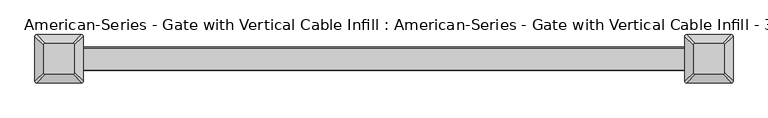
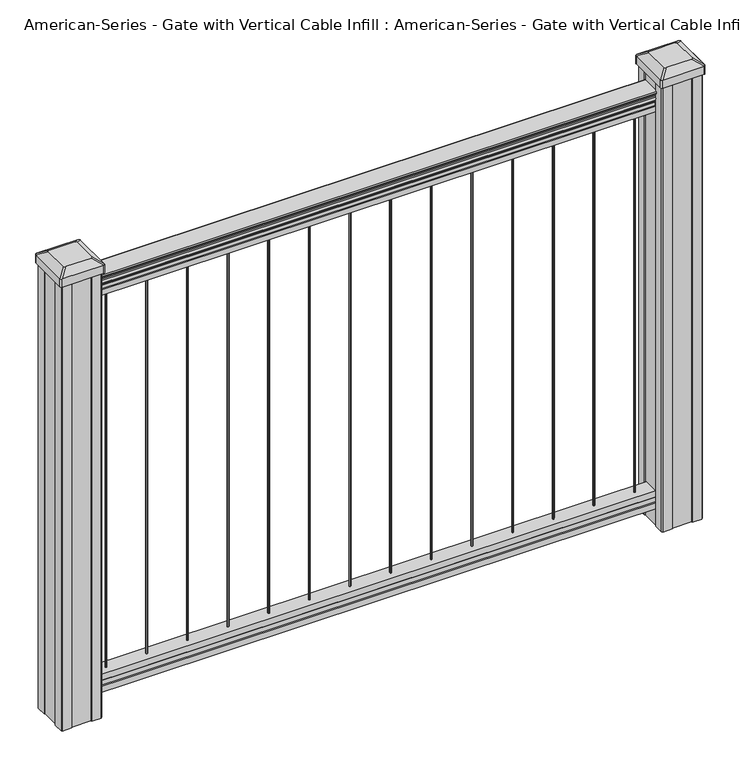
"""IFC4 building model written with IfcOpenShell, lengths in millimetres: proxy geometry."""

from ifc_helpers import new_model, si_unit, point, frame, frame_2d, origin, place, context, project, spatial, polyline, circle_curve, trimmed, segment, composite_curve, outline, extrude, source, transform, mapped, element, save
from ifc_brep_helpers import plane_surface, extruded_surface, advanced_brep


def proxy_bba98fe6(model_context):
    return source(origin(), model_context, "Body", "SolidModel", [
        extrude(outline(composite_curve([segment(trimmed(circle_curve(frame_2d((454.025, 0.0)), 1.5875), [point((454.025, 1.5875))], [point((455.6125, 0.0))], False, "CARTESIAN"), True, "CONTINUOUS"), segment(trimmed(circle_curve(frame_2d((454.025, 0.0)), 1.5875), [point((455.6125, 0.0))], [point((454.025, -1.5875))], False, "CARTESIAN"), True, "CONTINUOUS"), segment(trimmed(circle_curve(frame_2d((454.025, 0.0)), 1.5875), [point((454.025, -1.5875))], [point((452.4375, 0.0))], False, "CARTESIAN"), True, "CONTINUOUS"), segment(trimmed(circle_curve(frame_2d((454.025, 0.0)), 1.5875), [point((452.4375, 0.0))], [point((454.025, 1.5875))], False, "CARTESIAN"), True, "CONTINUOUS")], self_intersect=False)), frame((0.0, 0.0, 101.6), z_axis=(0.0, 0.0, 1.0), x_axis=(1.0, 0.0, 0.0)), (0.0, 0.0, 1.0), 812.8),
        extrude(outline(composite_curve([segment(trimmed(circle_curve(frame_2d((371.475, 0.0)), 1.5875), [point((371.475, 1.5875))], [point((373.0625, 0.0))], False, "CARTESIAN"), True, "CONTINUOUS"), segment(trimmed(circle_curve(frame_2d((371.475, 0.0)), 1.5875), [point((373.0625, 0.0))], [point((371.475, -1.5875))], False, "CARTESIAN"), True, "CONTINUOUS"), segment(trimmed(circle_curve(frame_2d((371.475, 0.0)), 1.5875), [point((371.475, -1.5875))], [point((369.8875, 0.0))], False, "CARTESIAN"), True, "CONTINUOUS"), segment(trimmed(circle_curve(frame_2d((371.475, 0.0)), 1.5875), [point((369.8875, 0.0))], [point((371.475, 1.5875))], False, "CARTESIAN"), True, "CONTINUOUS")], self_intersect=False)), frame((0.0, 0.0, 101.6), z_axis=(0.0, 0.0, 1.0), x_axis=(1.0, 0.0, 0.0)), (0.0, 0.0, 1.0), 812.8),
        extrude(outline(composite_curve([segment(trimmed(circle_curve(frame_2d((288.925, 0.0)), 1.5875), [point((288.925, 1.5875))], [point((290.5125, 0.0))], False, "CARTESIAN"), True, "CONTINUOUS"), segment(trimmed(circle_curve(frame_2d((288.925, 0.0)), 1.5875), [point((290.5125, 0.0))], [point((288.925, -1.5875))], False, "CARTESIAN"), True, "CONTINUOUS"), segment(trimmed(circle_curve(frame_2d((288.925, 0.0)), 1.5875), [point((288.925, -1.5875))], [point((287.3375, 0.0))], False, "CARTESIAN"), True, "CONTINUOUS"), segment(trimmed(circle_curve(frame_2d((288.925, 0.0)), 1.5875), [point((287.3375, 0.0))], [point((288.925, 1.5875))], False, "CARTESIAN"), True, "CONTINUOUS")], self_intersect=False)), frame((0.0, 0.0, 101.6), z_axis=(0.0, 0.0, 1.0), x_axis=(1.0, 0.0, 0.0)), (0.0, 0.0, 1.0), 812.8),
        extrude(outline(composite_curve([segment(trimmed(circle_curve(frame_2d((206.375, 0.0)), 1.5875), [point((206.375, 1.5875))], [point((207.9625, 0.0))], False, "CARTESIAN"), True, "CONTINUOUS"), segment(trimmed(circle_curve(frame_2d((206.375, 0.0)), 1.5875), [point((207.9625, 0.0))], [point((206.375, -1.5875))], False, "CARTESIAN"), True, "CONTINUOUS"), segment(trimmed(circle_curve(frame_2d((206.375, 0.0)), 1.5875), [point((206.375, -1.5875))], [point((204.7875, 0.0))], False, "CARTESIAN"), True, "CONTINUOUS"), segment(trimmed(circle_curve(frame_2d((206.375, 0.0)), 1.5875), [point((204.7875, 0.0))], [point((206.375, 1.5875))], False, "CARTESIAN"), True, "CONTINUOUS")], self_intersect=False)), frame((0.0, 0.0, 101.6), z_axis=(0.0, 0.0, 1.0), x_axis=(1.0, 0.0, 0.0)), (0.0, 0.0, 1.0), 812.8),
        extrude(outline(composite_curve([segment(trimmed(circle_curve(frame_2d((123.825, 0.0)), 1.5875), [point((123.825, 1.5875))], [point((125.4125, 0.0))], False, "CARTESIAN"), True, "CONTINUOUS"), segment(trimmed(circle_curve(frame_2d((123.825, 0.0)), 1.5875), [point((125.4125, 0.0))], [point((123.825, -1.5875))], False, "CARTESIAN"), True, "CONTINUOUS"), segment(trimmed(circle_curve(frame_2d((123.825, 0.0)), 1.5875), [point((123.825, -1.5875))], [point((122.2375, 0.0))], False, "CARTESIAN"), True, "CONTINUOUS"), segment(trimmed(circle_curve(frame_2d((123.825, 0.0)), 1.5875), [point((122.2375, 0.0))], [point((123.825, 1.5875))], False, "CARTESIAN"), True, "CONTINUOUS")], self_intersect=False)), frame((0.0, 0.0, 101.6), z_axis=(0.0, 0.0, 1.0), x_axis=(1.0, 0.0, 0.0)), (0.0, 0.0, 1.0), 812.8),
        extrude(outline(composite_curve([segment(trimmed(circle_curve(frame_2d((41.275, 0.0)), 1.5875), [point((41.275, 1.5875))], [point((42.8625, 0.0))], False, "CARTESIAN"), True, "CONTINUOUS"), segment(trimmed(circle_curve(frame_2d((41.275, 0.0)), 1.5875), [point((42.8625, 0.0))], [point((41.275, -1.5875))], False, "CARTESIAN"), True, "CONTINUOUS"), segment(trimmed(circle_curve(frame_2d((41.275, 0.0)), 1.5875), [point((41.275, -1.5875))], [point((39.6875, 0.0))], False, "CARTESIAN"), True, "CONTINUOUS"), segment(trimmed(circle_curve(frame_2d((41.275, 0.0)), 1.5875), [point((39.6875, 0.0))], [point((41.275, 1.5875))], False, "CARTESIAN"), True, "CONTINUOUS")], self_intersect=False)), frame((0.0, 0.0, 101.6), z_axis=(0.0, 0.0, 1.0), x_axis=(1.0, 0.0, 0.0)), (0.0, 0.0, 1.0), 812.8),
        extrude(outline(composite_curve([segment(trimmed(circle_curve(frame_2d((-41.275, 0.0)), 1.5875), [point((-41.275, 1.5875))], [point((-39.6875, 0.0))], False, "CARTESIAN"), True, "CONTINUOUS"), segment(trimmed(circle_curve(frame_2d((-41.275, 0.0)), 1.5875), [point((-39.6875, 0.0))], [point((-41.275, -1.5875))], False, "CARTESIAN"), True, "CONTINUOUS"), segment(trimmed(circle_curve(frame_2d((-41.275, 0.0)), 1.5875), [point((-41.275, -1.5875))], [point((-42.8625, 0.0))], False, "CARTESIAN"), True, "CONTINUOUS"), segment(trimmed(circle_curve(frame_2d((-41.275, 0.0)), 1.5875), [point((-42.8625, 0.0))], [point((-41.275, 1.5875))], False, "CARTESIAN"), True, "CONTINUOUS")], self_intersect=False)), frame((0.0, 0.0, 101.6), z_axis=(0.0, 0.0, 1.0), x_axis=(1.0, 0.0, 0.0)), (0.0, 0.0, 1.0), 812.8),
        extrude(outline(composite_curve([segment(trimmed(circle_curve(frame_2d((-123.825, 0.0)), 1.5875), [point((-123.825, 1.5875))], [point((-122.2375, 0.0))], False, "CARTESIAN"), True, "CONTINUOUS"), segment(trimmed(circle_curve(frame_2d((-123.825, 0.0)), 1.5875), [point((-122.2375, 0.0))], [point((-123.825, -1.5875))], False, "CARTESIAN"), True, "CONTINUOUS"), segment(trimmed(circle_curve(frame_2d((-123.825, 0.0)), 1.5875), [point((-123.825, -1.5875))], [point((-125.4125, 0.0))], False, "CARTESIAN"), True, "CONTINUOUS"), segment(trimmed(circle_curve(frame_2d((-123.825, 0.0)), 1.5875), [point((-125.4125, 0.0))], [point((-123.825, 1.5875))], False, "CARTESIAN"), True, "CONTINUOUS")], self_intersect=False)), frame((0.0, 0.0, 101.6), z_axis=(0.0, 0.0, 1.0), x_axis=(1.0, 0.0, 0.0)), (0.0, 0.0, 1.0), 812.8),
        extrude(outline(composite_curve([segment(trimmed(circle_curve(frame_2d((-206.375, 0.0)), 1.5875), [point((-206.375, 1.5875))], [point((-204.7875, 0.0))], False, "CARTESIAN"), True, "CONTINUOUS"), segment(trimmed(circle_curve(frame_2d((-206.375, 0.0)), 1.5875), [point((-204.7875, 0.0))], [point((-206.375, -1.5875))], False, "CARTESIAN"), True, "CONTINUOUS"), segment(trimmed(circle_curve(frame_2d((-206.375, 0.0)), 1.5875), [point((-206.375, -1.5875))], [point((-207.9625, 0.0))], False, "CARTESIAN"), True, "CONTINUOUS"), segment(trimmed(circle_curve(frame_2d((-206.375, 0.0)), 1.5875), [point((-207.9625, 0.0))], [point((-206.375, 1.5875))], False, "CARTESIAN"), True, "CONTINUOUS")], self_intersect=False)), frame((0.0, 0.0, 101.6), z_axis=(0.0, 0.0, 1.0), x_axis=(1.0, 0.0, 0.0)), (0.0, 0.0, 1.0), 812.8),
        extrude(outline(composite_curve([segment(trimmed(circle_curve(frame_2d((-288.925, 0.0)), 1.5875), [point((-288.925, 1.5875))], [point((-287.3375, 0.0))], False, "CARTESIAN"), True, "CONTINUOUS"), segment(trimmed(circle_curve(frame_2d((-288.925, 0.0)), 1.5875), [point((-287.3375, 0.0))], [point((-288.925, -1.5875))], False, "CARTESIAN"), True, "CONTINUOUS"), segment(trimmed(circle_curve(frame_2d((-288.925, 0.0)), 1.5875), [point((-288.925, -1.5875))], [point((-290.5125, 0.0))], False, "CARTESIAN"), True, "CONTINUOUS"), segment(trimmed(circle_curve(frame_2d((-288.925, 0.0)), 1.5875), [point((-290.5125, 0.0))], [point((-288.925, 1.5875))], False, "CARTESIAN"), True, "CONTINUOUS")], self_intersect=False)), frame((0.0, 0.0, 101.6), z_axis=(0.0, 0.0, 1.0), x_axis=(1.0, 0.0, 0.0)), (0.0, 0.0, 1.0), 812.8),
        extrude(outline(composite_curve([segment(trimmed(circle_curve(frame_2d((-371.475, 0.0)), 1.5875), [point((-371.475, 1.5875))], [point((-369.8875, 0.0))], False, "CARTESIAN"), True, "CONTINUOUS"), segment(trimmed(circle_curve(frame_2d((-371.475, 0.0)), 1.5875), [point((-369.8875, 0.0))], [point((-371.475, -1.5875))], False, "CARTESIAN"), True, "CONTINUOUS"), segment(trimmed(circle_curve(frame_2d((-371.475, 0.0)), 1.5875), [point((-371.475, -1.5875))], [point((-373.0625, 0.0))], False, "CARTESIAN"), True, "CONTINUOUS"), segment(trimmed(circle_curve(frame_2d((-371.475, 0.0)), 1.5875), [point((-373.0625, 0.0))], [point((-371.475, 1.5875))], False, "CARTESIAN"), True, "CONTINUOUS")], self_intersect=False)), frame((0.0, 0.0, 101.6), z_axis=(0.0, 0.0, 1.0), x_axis=(1.0, 0.0, 0.0)), (0.0, 0.0, 1.0), 812.8),
        extrude(outline(composite_curve([segment(trimmed(circle_curve(frame_2d((-454.025, 0.0)), 1.5875), [point((-454.025, 1.5875))], [point((-452.4375, 0.0))], False, "CARTESIAN"), True, "CONTINUOUS"), segment(trimmed(circle_curve(frame_2d((-454.025, 0.0)), 1.5875), [point((-452.4375, 0.0))], [point((-454.025, -1.5875))], False, "CARTESIAN"), True, "CONTINUOUS"), segment(trimmed(circle_curve(frame_2d((-454.025, 0.0)), 1.5875), [point((-454.025, -1.5875))], [point((-455.6125, 0.0))], False, "CARTESIAN"), True, "CONTINUOUS"), segment(trimmed(circle_curve(frame_2d((-454.025, 0.0)), 1.5875), [point((-455.6125, 0.0))], [point((-454.025, 1.5875))], False, "CARTESIAN"), True, "CONTINUOUS")], self_intersect=False)), frame((0.0, 0.0, 101.6), z_axis=(0.0, 0.0, 1.0), x_axis=(1.0, 0.0, 0.0)), (0.0, 0.0, 1.0), 812.8),
        extrude(outline(composite_curve([segment(trimmed(circle_curve(frame_2d((536.575, 0.0)), 1.5875), [point((536.575, 1.5875))], [point((538.1625, 0.0))], False, "CARTESIAN"), True, "CONTINUOUS"), segment(trimmed(circle_curve(frame_2d((536.575, 0.0)), 1.5875), [point((538.1625, 0.0))], [point((536.575, -1.5875))], False, "CARTESIAN"), True, "CONTINUOUS"), segment(trimmed(circle_curve(frame_2d((536.575, 0.0)), 1.5875), [point((536.575, -1.5875))], [point((534.9875, 0.0))], False, "CARTESIAN"), True, "CONTINUOUS"), segment(trimmed(circle_curve(frame_2d((536.575, 0.0)), 1.5875), [point((534.9875, 0.0))], [point((536.575, 1.5875))], False, "CARTESIAN"), True, "CONTINUOUS")], self_intersect=False)), frame((0.0, 0.0, 101.6), z_axis=(0.0, 0.0, 1.0), x_axis=(1.0, 0.0, 0.0)), (0.0, 0.0, 1.0), 812.8),
        extrude(outline(composite_curve([segment(trimmed(circle_curve(frame_2d((-536.575, 0.0)), 1.5875), [point((-536.575, 1.5875))], [point((-534.9875, 0.0))], False, "CARTESIAN"), True, "CONTINUOUS"), segment(trimmed(circle_curve(frame_2d((-536.575, 0.0)), 1.5875), [point((-534.9875, 0.0))], [point((-536.575, -1.5875))], False, "CARTESIAN"), True, "CONTINUOUS"), segment(trimmed(circle_curve(frame_2d((-536.575, 0.0)), 1.5875), [point((-536.575, -1.5875))], [point((-538.1625, 0.0))], False, "CARTESIAN"), True, "CONTINUOUS"), segment(trimmed(circle_curve(frame_2d((-536.575, 0.0)), 1.5875), [point((-538.1625, 0.0))], [point((-536.575, 1.5875))], False, "CARTESIAN"), True, "CONTINUOUS")], self_intersect=False)), frame((0.0, 0.0, 101.6), z_axis=(0.0, 0.0, 1.0), x_axis=(1.0, 0.0, 0.0)), (0.0, 0.0, 1.0), 812.8),
        extrude(outline(composite_curve([segment(polyline([(938.4043297, 17.4328287), (940.292412, 17.4328287)]), True, "CONTINUOUS"), segment(trimmed(circle_curve(frame_2d((946.0506383, 11.1180755)), 8.545951), [point((940.292412, 17.4328287))], [point((941.8546695, 18.563015))], False, "CARTESIAN"), True, "CONTINUOUS"), segment(trimmed(circle_curve(frame_2d((945.4636577, 11.5551384)), 7.882584), [point((941.8546695, 18.563015))], [point((949.0726458, 18.563015))], False, "CARTESIAN"), True, "CONTINUOUS"), segment(trimmed(circle_curve(frame_2d((951.3112527, 22.0684625)), 4.1592695), [point((949.0726458, 18.563015))], [point((951.5060812, 17.9137586))], True, "CARTESIAN"), True, "CONTINUOUS"), segment(trimmed(circle_curve(frame_2d((951.2508864, 23.3557691)), 5.4479907), [point((951.5060812, 17.9137586))], [point((955.8362083, 20.4137586))], True, "CARTESIAN"), True, "CONTINUOUS"), segment(trimmed(circle_curve(frame_2d((955.833395, 22.1226107)), 1.7088543), [point((955.8362083, 20.4137586))], [point((957.5157972, 21.8231011))], True, "CARTESIAN"), True, "CONTINUOUS"), segment(trimmed(circle_curve(frame_2d((958.6205318, 20.5057106)), 1.7192895), [point((957.5157972, 21.8231011))], [point((958.6205318, 22.2250001))], False, "CARTESIAN"), True, "CONTINUOUS"), segment(polyline([(958.6205318, 22.2250001), (959.9608158, 22.225)]), True, "CONTINUOUS"), segment(trimmed(circle_curve(frame_2d((959.9608158, 20.6715528)), 1.5534472), [point((959.9608158, 22.225))], [point((961.514263, 20.6715528))], False, "CARTESIAN"), True, "CONTINUOUS"), segment(polyline([(961.514263, 20.6715528), (961.514263, -20.6715528)]), True, "CONTINUOUS"), segment(trimmed(circle_curve(frame_2d((959.9608158, -20.6715528)), 1.5534472), [point((961.514263, -20.6715528))], [point((959.9608158, -22.225))], False, "CARTESIAN"), True, "CONTINUOUS"), segment(polyline([(959.9608158, -22.225), (958.6205318, -22.225)]), True, "CONTINUOUS"), segment(trimmed(circle_curve(frame_2d((958.6205318, -20.5057106)), 1.7192895), [point((958.6205318, -22.225))], [point((957.5157972, -21.8231011))], False, "CARTESIAN"), True, "CONTINUOUS"), segment(trimmed(circle_curve(frame_2d((955.833395, -22.1226107)), 1.7088543), [point((957.5157972, -21.8231011))], [point((955.8362083, -20.4137586))], True, "CARTESIAN"), True, "CONTINUOUS"), segment(trimmed(circle_curve(frame_2d((951.2508864, -23.3557691)), 5.4479907), [point((955.8362083, -20.4137586))], [point((951.5060812, -17.9137586))], True, "CARTESIAN"), True, "CONTINUOUS"), segment(trimmed(circle_curve(frame_2d((951.3112527, -22.0684625)), 4.1592695), [point((951.5060812, -17.9137586))], [point((949.0726458, -18.563015))], True, "CARTESIAN"), True, "CONTINUOUS"), segment(trimmed(circle_curve(frame_2d((945.4636577, -11.5551384)), 7.882584), [point((949.0726458, -18.563015))], [point((941.8546695, -18.563015))], False, "CARTESIAN"), True, "CONTINUOUS"), segment(trimmed(circle_curve(frame_2d((946.0506383, -11.1180755)), 8.545951), [point((941.8546695, -18.563015))], [point((940.292412, -17.4328287))], False, "CARTESIAN"), True, "CONTINUOUS"), segment(polyline([(940.292412, -17.4328287), (938.4043297, -17.4328287)]), True, "CONTINUOUS"), segment(trimmed(circle_curve(frame_2d((938.4043297, -16.1459144)), 1.2869144), [point((938.4043297, -17.4328287))], [point((938.4043297, -14.859))], False, "CARTESIAN"), True, "CONTINUOUS"), segment(polyline([(938.4043297, -14.859), (927.9048283, -14.859), (926.8888283, -15.875), (914.4, -15.875), (914.4, 15.875), (926.731013, 15.875), (927.747013, 14.859), (938.4043297, 14.859)]), True, "CONTINUOUS"), segment(trimmed(circle_curve(frame_2d((938.4043297, 16.1459144)), 1.2869144), [point((938.4043297, 14.859))], [point((938.4043297, 17.4328287))], False, "CARTESIAN"), True, "CONTINUOUS")], self_intersect=False)), frame((609.6, 0.0, 0.0), z_axis=(-1.0, 0.0, 0.0), x_axis=(0.0, 0.0, 1.0)), (0.0, 0.0, 1.0), 1219.2),
        extrude(outline(polyline([(-15.9124869, 76.0541976), (-14.8964869, 77.3546183), (-14.8964869, 87.7141717), (-15.9124869, 89.0624492), (-15.9124869, 101.5958781), (15.8375131, 101.5958781), (15.8375131, 89.0458024), (14.8215131, 87.6975248), (14.8215131, 77.3858283), (15.8375131, 76.0375508), (15.8375131, 63.5), (-15.9124869, 63.5), (-15.9124869, 76.0541976)])), frame((-609.6, 0.0, 0.0), z_axis=(1.0, 0.0, 0.0), x_axis=(0.0, 1.0, 0.0)), (0.0, 0.0, 1.0), 1219.2),
        advanced_brep(
        [(583.803125, 28.971875, 1012.825), (580.628125, 25.796875, 1012.825), (580.628125, -25.796875, 1012.825), (583.803125, -28.971875, 1012.825), (635.396875, -28.971875, 1012.825), (638.571875, -25.796875, 1012.825), (638.571875, 25.796875, 1012.825), (635.396875, 28.971875, 1012.825), (567.53125, 45.24375, 1001.522), (651.66875, 45.24375, 1001.522), (654.84375, 42.06875, 1001.522), (654.84375, -42.06875, 1001.522), (651.66875, -45.24375, 1001.522), (567.53125, -45.24375, 1001.522), (564.35625, -42.06875, 1001.522), (564.35625, 42.06875, 1001.522)],
        [
            (0, 1, circle_curve(frame((583.803125, 25.796875, 1012.825), z_axis=(0.0, 0.0, 1.0), x_axis=(0.0, -1.0, 0.0)), 3.175)),
            (1, 2),
            (2, 3, circle_curve(frame((583.803125, -25.796875, 1012.825), z_axis=(0.0, 0.0, 1.0), x_axis=(0.0, -1.0, 0.0)), 3.175)),
            (3, 4),
            (4, 5, circle_curve(frame((635.396875, -25.796875, 1012.825), z_axis=(0.0, 0.0, 1.0), x_axis=(0.0, -1.0, 0.0)), 3.175)),
            (5, 6),
            (6, 7, circle_curve(frame((635.396875, 25.796875, 1012.825), z_axis=(0.0, 0.0, 1.0), x_axis=(0.0, -1.0, 0.0)), 3.175)),
            (7, 0),
            (8, 9),
            (9, 10, circle_curve(frame((651.66875, 42.06875, 1001.522), z_axis=(0.0, 0.0, -1.0), x_axis=(0.0, -1.0, 0.0)), 3.175)),
            (10, 11),
            (11, 12, circle_curve(frame((651.66875, -42.06875, 1001.522), z_axis=(0.0, 0.0, -1.0), x_axis=(0.0, -1.0, 0.0)), 3.175)),
            (12, 13),
            (13, 14, circle_curve(frame((567.53125, -42.06875, 1001.522), z_axis=(0.0, 0.0, -1.0), x_axis=(0.0, -1.0, 0.0)), 3.175)),
            (14, 15),
            (15, 8, circle_curve(frame((567.53125, 42.06875, 1001.522), z_axis=(0.0, 0.0, -1.0), x_axis=(0.0, -1.0, 0.0)), 3.175)),
            (15, 1),
            (0, 8),
            (14, 2),
            (13, 3),
            (12, 4),
            (11, 5),
            (10, 6),
            (9, 7),
        ],
        [
            plane_surface(frame((609.6, 0.0, 1012.825), z_axis=(0.0, 0.0, 1.0), x_axis=(-1.0, 0.0, 0.0))),
            plane_surface(frame((609.6, 0.0, 1001.522), z_axis=(0.0, 0.0, -1.0), x_axis=(-1.0, 0.0, 0.0))),
            extruded_surface(trimmed(circle_curve(frame((567.53125, 42.06875, 1001.522), z_axis=(0.0, 0.0, 1.0), x_axis=(0.0, -1.0, 0.0)), 3.175), [point((567.53125, 45.24375, 1001.522))], [point((564.35625, 42.06875, 1001.522))], True, "CARTESIAN"), (16.271875000000023, -16.271875, 11.302999999999997), 25.637972638866177),
            plane_surface(frame((564.35625, 0.0, 1001.522), z_axis=(-0.5705009161540779, 0.0, 0.8212969649690408), x_axis=(0.0, -1.0, 0.0))),
            extruded_surface(trimmed(circle_curve(frame((567.53125, -42.06875, 1001.522), z_axis=(0.0, 0.0, 1.0), x_axis=(0.0, -1.0, 0.0)), 3.175), [point((564.35625, -42.06875, 1001.522))], [point((567.53125, -45.24375, 1001.522))], True, "CARTESIAN"), (16.271875000000023, 16.271875, 11.302999999999997), 25.637972638866177),
            plane_surface(frame((609.6, -45.24375, 1001.522), z_axis=(0.0, -0.5705009161540291, 0.8212969649690747), x_axis=(1.0, 0.0, 0.0))),
            extruded_surface(trimmed(circle_curve(frame((651.66875, -42.06875, 1001.522), z_axis=(0.0, 0.0, 1.0), x_axis=(0.0, -1.0, 0.0)), 3.175), [point((651.66875, -45.24375, 1001.522))], [point((654.84375, -42.06875, 1001.522))], True, "CARTESIAN"), (-16.271875000000023, 16.271875, 11.302999999999997), 25.637972638866177),
            plane_surface(frame((654.84375, 0.0, 1001.522), z_axis=(0.5705009161540141, 0.0, 0.8212969649690851), x_axis=(0.0, 1.0, 0.0))),
            extruded_surface(trimmed(circle_curve(frame((651.66875, 42.06875, 1001.522), z_axis=(0.0, 0.0, 1.0), x_axis=(0.0, -1.0, 0.0)), 3.175), [point((654.84375, 42.06875, 1001.522))], [point((651.66875, 45.24375, 1001.522))], True, "CARTESIAN"), (-16.271875000000023, -16.271875, 11.302999999999997), 25.637972638866177),
            plane_surface(frame((609.6, 45.24375, 1001.522), z_axis=(0.0, 0.570500916154034, 0.8212969649690713), x_axis=(-1.0, 0.0, 0.0))),
        ],
        [
            (0, [[1, 2, 3, 4, 5, 6, 7, 8]]),
            (1, [[9, 10, 11, 12, 13, 14, 15, 16]]),
            (2, [[-16, 17, -1, 18]]),
            (3, [[-15, 19, -2, -17]]),
            (4, [[-14, 20, -3, -19]]),
            (5, [[-13, 21, -4, -20]]),
            (6, [[-12, 22, -5, -21]]),
            (7, [[-11, 23, -6, -22]]),
            (8, [[-10, 24, -7, -23]]),
            (9, [[-9, -18, -8, -24]]),
        ],
    ),
        extrude(outline(composite_curve([segment(polyline([(567.53125, 45.24375), (651.66875, 45.24375)]), True, "CONTINUOUS"), segment(trimmed(circle_curve(frame_2d((651.66875, 42.06875)), 3.175), [point((651.66875, 45.24375))], [point((654.84375, 42.06875))], False, "CARTESIAN"), True, "CONTINUOUS"), segment(polyline([(654.84375, 42.06875), (654.84375, -42.06875)]), True, "CONTINUOUS"), segment(trimmed(circle_curve(frame_2d((651.66875, -42.06875)), 3.175), [point((654.84375, -42.06875))], [point((651.66875, -45.24375))], False, "CARTESIAN"), True, "CONTINUOUS"), segment(polyline([(651.66875, -45.24375), (567.53125, -45.24375)]), True, "CONTINUOUS"), segment(trimmed(circle_curve(frame_2d((567.53125, -42.06875)), 3.175), [point((567.53125, -45.24375))], [point((564.35625, -42.06875))], False, "CARTESIAN"), True, "CONTINUOUS"), segment(polyline([(564.35625, -42.06875), (564.35625, 42.06875)]), True, "CONTINUOUS"), segment(trimmed(circle_curve(frame_2d((567.53125, 42.06875)), 3.175), [point((564.35625, 42.06875))], [point((567.53125, 45.24375))], False, "CARTESIAN"), True, "CONTINUOUS")], self_intersect=False)), frame((0.0, 0.0, 984.25), z_axis=(0.0, 0.0, 1.0), x_axis=(1.0, 0.0, 0.0)), (0.0, 0.0, 1.0), 17.272),
        extrude(outline(polyline([(569.9125, 41.275), (589.534, 41.275), (590.296, 39.6875), (628.904, 39.6875), (629.666, 41.275), (649.2875, 41.275), (650.875, 39.6875), (650.875, 20.066), (649.2875, 19.304), (649.2875, -19.304), (650.875, -20.066), (650.875, -39.6875), (649.2875, -41.275), (629.666, -41.275), (628.904, -39.6875), (590.296, -39.6875), (589.534, -41.275), (569.9125, -41.275), (568.325, -39.6875), (568.325, -20.066), (569.9125, -19.304), (569.9125, 19.304), (568.325, 20.066), (568.325, 39.6875), (569.9125, 41.275)])), frame((0.0, 0.0, 28.575), z_axis=(0.0, 0.0, 1.0), x_axis=(1.0, 0.0, 0.0)), (0.0, 0.0, 1.0), 955.675),
        advanced_brep(
        [(-635.396875, 28.971875, 1012.825), (-638.571875, 25.796875, 1012.825), (-638.571875, -25.796875, 1012.825), (-635.396875, -28.971875, 1012.825), (-583.803125, -28.971875, 1012.825), (-580.628125, -25.796875, 1012.825), (-580.628125, 25.796875, 1012.825), (-583.803125, 28.971875, 1012.825), (-651.66875, 45.24375, 1001.522), (-567.53125, 45.24375, 1001.522), (-564.35625, 42.06875, 1001.522), (-564.35625, -42.06875, 1001.522), (-567.53125, -45.24375, 1001.522), (-651.66875, -45.24375, 1001.522), (-654.84375, -42.06875, 1001.522), (-654.84375, 42.06875, 1001.522)],
        [
            (0, 1, circle_curve(frame((-635.396875, 25.796875, 1012.825), z_axis=(0.0, 0.0, 1.0), x_axis=(0.0, -1.0, 0.0)), 3.175)),
            (1, 2),
            (2, 3, circle_curve(frame((-635.396875, -25.796875, 1012.825), z_axis=(0.0, 0.0, 1.0), x_axis=(0.0, -1.0, 0.0)), 3.175)),
            (3, 4),
            (4, 5, circle_curve(frame((-583.803125, -25.796875, 1012.825), z_axis=(0.0, 0.0, 1.0), x_axis=(0.0, -1.0, 0.0)), 3.175)),
            (5, 6),
            (6, 7, circle_curve(frame((-583.803125, 25.796875, 1012.825), z_axis=(0.0, 0.0, 1.0), x_axis=(0.0, -1.0, 0.0)), 3.175)),
            (7, 0),
            (8, 9),
            (9, 10, circle_curve(frame((-567.53125, 42.06875, 1001.522), z_axis=(0.0, 0.0, -1.0), x_axis=(0.0, -1.0, 0.0)), 3.175)),
            (10, 11),
            (11, 12, circle_curve(frame((-567.53125, -42.06875, 1001.522), z_axis=(0.0, 0.0, -1.0), x_axis=(0.0, -1.0, 0.0)), 3.175)),
            (12, 13),
            (13, 14, circle_curve(frame((-651.66875, -42.06875, 1001.522), z_axis=(0.0, 0.0, -1.0), x_axis=(0.0, -1.0, 0.0)), 3.175)),
            (14, 15),
            (15, 8, circle_curve(frame((-651.66875, 42.06875, 1001.522), z_axis=(0.0, 0.0, -1.0), x_axis=(0.0, -1.0, 0.0)), 3.175)),
            (15, 1),
            (0, 8),
            (14, 2),
            (13, 3),
            (12, 4),
            (11, 5),
            (10, 6),
            (9, 7),
        ],
        [
            plane_surface(frame((-609.6, 0.0, 1012.825), z_axis=(0.0, 0.0, 1.0), x_axis=(-1.0, 0.0, 0.0))),
            plane_surface(frame((-609.6, 0.0, 1001.522), z_axis=(0.0, 0.0, -1.0), x_axis=(-1.0, 0.0, 0.0))),
            extruded_surface(trimmed(circle_curve(frame((-651.66875, 42.06875, 1001.522), z_axis=(0.0, 0.0, 1.0), x_axis=(0.0, -1.0, 0.0)), 3.175), [point((-651.66875, 45.24375, 1001.522))], [point((-654.84375, 42.06875, 1001.522))], True, "CARTESIAN"), (16.271875000000023, -16.271875, 11.302999999999997), 25.637972638866177),
            plane_surface(frame((-654.84375, 0.0, 1001.522), z_axis=(-0.5705009161540779, 0.0, 0.8212969649690408), x_axis=(0.0, -1.0, 0.0))),
            extruded_surface(trimmed(circle_curve(frame((-651.66875, -42.06875, 1001.522), z_axis=(0.0, 0.0, 1.0), x_axis=(0.0, -1.0, 0.0)), 3.175), [point((-654.84375, -42.06875, 1001.522))], [point((-651.66875, -45.24375, 1001.522))], True, "CARTESIAN"), (16.271875000000023, 16.271875, 11.302999999999997), 25.637972638866177),
            plane_surface(frame((-609.6, -45.24375, 1001.522), z_axis=(0.0, -0.5705009161540291, 0.8212969649690747), x_axis=(1.0, 0.0, 0.0))),
            extruded_surface(trimmed(circle_curve(frame((-567.53125, -42.06875, 1001.522), z_axis=(0.0, 0.0, 1.0), x_axis=(0.0, -1.0, 0.0)), 3.175), [point((-567.53125, -45.24375, 1001.522))], [point((-564.35625, -42.06875, 1001.522))], True, "CARTESIAN"), (-16.271875000000023, 16.271875, 11.302999999999997), 25.637972638866177),
            plane_surface(frame((-564.35625, 0.0, 1001.522), z_axis=(0.5705009161540141, 0.0, 0.8212969649690851), x_axis=(0.0, 1.0, 0.0))),
            extruded_surface(trimmed(circle_curve(frame((-567.53125, 42.06875, 1001.522), z_axis=(0.0, 0.0, 1.0), x_axis=(0.0, -1.0, 0.0)), 3.175), [point((-564.35625, 42.06875, 1001.522))], [point((-567.53125, 45.24375, 1001.522))], True, "CARTESIAN"), (-16.271875000000023, -16.271875, 11.302999999999997), 25.637972638866177),
            plane_surface(frame((-609.6, 45.24375, 1001.522), z_axis=(0.0, 0.570500916154034, 0.8212969649690713), x_axis=(-1.0, 0.0, 0.0))),
        ],
        [
            (0, [[1, 2, 3, 4, 5, 6, 7, 8]]),
            (1, [[9, 10, 11, 12, 13, 14, 15, 16]]),
            (2, [[-16, 17, -1, 18]]),
            (3, [[-15, 19, -2, -17]]),
            (4, [[-14, 20, -3, -19]]),
            (5, [[-13, 21, -4, -20]]),
            (6, [[-12, 22, -5, -21]]),
            (7, [[-11, 23, -6, -22]]),
            (8, [[-10, 24, -7, -23]]),
            (9, [[-9, -18, -8, -24]]),
        ],
    ),
        extrude(outline(composite_curve([segment(polyline([(-651.66875, 45.24375), (-567.53125, 45.24375)]), True, "CONTINUOUS"), segment(trimmed(circle_curve(frame_2d((-567.53125, 42.06875)), 3.175), [point((-567.53125, 45.24375))], [point((-564.35625, 42.06875))], False, "CARTESIAN"), True, "CONTINUOUS"), segment(polyline([(-564.35625, 42.06875), (-564.35625, -42.06875)]), True, "CONTINUOUS"), segment(trimmed(circle_curve(frame_2d((-567.53125, -42.06875)), 3.175), [point((-564.35625, -42.06875))], [point((-567.53125, -45.24375))], False, "CARTESIAN"), True, "CONTINUOUS"), segment(polyline([(-567.53125, -45.24375), (-651.66875, -45.24375)]), True, "CONTINUOUS"), segment(trimmed(circle_curve(frame_2d((-651.66875, -42.06875)), 3.175), [point((-651.66875, -45.24375))], [point((-654.84375, -42.06875))], False, "CARTESIAN"), True, "CONTINUOUS"), segment(polyline([(-654.84375, -42.06875), (-654.84375, 42.06875)]), True, "CONTINUOUS"), segment(trimmed(circle_curve(frame_2d((-651.66875, 42.06875)), 3.175), [point((-654.84375, 42.06875))], [point((-651.66875, 45.24375))], False, "CARTESIAN"), True, "CONTINUOUS")], self_intersect=False)), frame((0.0, 0.0, 984.25), z_axis=(0.0, 0.0, 1.0), x_axis=(1.0, 0.0, 0.0)), (0.0, 0.0, 1.0), 17.272),
        extrude(outline(polyline([(-649.2875, 41.275), (-629.666, 41.275), (-628.904, 39.6875), (-590.296, 39.6875), (-589.534, 41.275), (-569.9125, 41.275), (-568.325, 39.6875), (-568.325, 20.066), (-569.9125, 19.304), (-569.9125, -19.304), (-568.325, -20.066), (-568.325, -39.6875), (-569.9125, -41.275), (-589.534, -41.275), (-590.296, -39.6875), (-628.904, -39.6875), (-629.666, -41.275), (-649.2875, -41.275), (-650.875, -39.6875), (-650.875, -20.066), (-649.2875, -19.304), (-649.2875, 19.304), (-650.875, 20.066), (-650.875, 39.6875), (-649.2875, 41.275)])), frame((0.0, 0.0, 28.575), z_axis=(0.0, 0.0, 1.0), x_axis=(1.0, 0.0, 0.0)), (0.0, 0.0, 1.0), 955.675),
    ])


if __name__ == "__main__":
    model = new_model("IFC4")
    model_context = context("Model", 3, world=origin())
    ifc_project = project(units=[si_unit("LENGTHUNIT", "METRE", prefix="MILLI")], contexts=[model_context])
    site = spatial("IfcSite", under=ifc_project)
    building = spatial("IfcBuilding", under=site)
    placement = place(None, origin())
    proxy_shape = proxy_bba98fe6(model_context)
    element("IfcBuildingElementProxy", 1, Name="American-Series - Gate with Vertical Cable Infill : American-Series - Gate with Vertical Cable Infill - 36\"x48\"", ObjectType="American-Series - Gate with Vertical Cable Infill : American-Series - Gate with Vertical Cable Infill - 36\"x48\"", at=placement, inside=building, context=model_context, shape_type="MappedRepresentation", body=[
        mapped(proxy_shape, transform((0.0, 0.0, 0.0), x_axis=(1.0, 0.0, 0.0), y_axis=(0.0, 1.0, 0.0), z_axis=(0.0, 0.0, 1.0))),
    ])
    save(model, "model.ifc")
